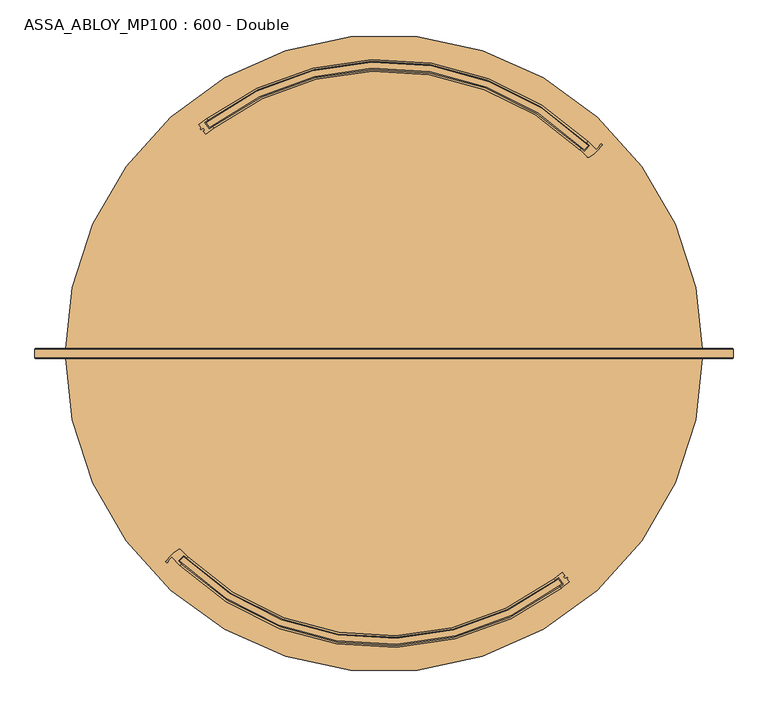
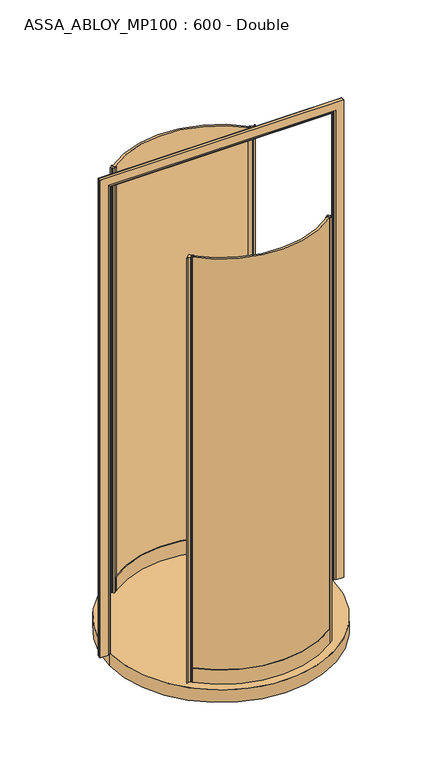
"""IFC4 building model written with IfcOpenShell, lengths in millimetres: door geometry, ASSA_ABLOY_MP100 : 600 - Double."""

from ifc_helpers import new_model, si_unit, point, frame, frame_2d, origin, origin_with_axes, place, context, project, spatial, polyline, circle_curve, ellipse_curve, trimmed, segment, composite_curve, outline, extrude, source, transform, mapped, element, save
from ifc_brep_helpers import plane_surface, cylinder_surface, revolved_surface, advanced_brep


def assa_abloy_mp100_600_double_29c1e6ae(model_context):
    return source(origin(), model_context, "Body", "SolidModel", [
        extrude(outline(composite_curve([segment(trimmed(circle_curve(frame_2d((125.0, 0.0)), 488.5), [point((-217.4730748, -348.3452929))], [point((423.3837235, -386.7808211))], True, "CARTESIAN"), True, "CONTINUOUS"), segment(polyline([(423.3837235, -386.7808211), (429.413428, -394.7590592)]), True, "CONTINUOUS"), segment(trimmed(circle_curve(frame_2d((125.0, 0.0)), 498.5), [point((429.413428, -394.7590592))], [point((-224.4107835, -355.5479635))], False, "CARTESIAN"), True, "CONTINUOUS"), segment(polyline([(-224.4107835, -355.5479635), (-217.4730748, -348.3452929)]), True, "CONTINUOUS")], self_intersect=False)), origin_with_axes(), (0.0, 0.0, 1.0), 2200.0),
        extrude(outline(composite_curve([segment(polyline([(429.904292, -375.240753), (434.0151728, -380.6800885), (432.0207092, -382.1874421), (434.1310043, -384.9796912), (438.7166643, -383.1194323), (439.3848915, -384.0036009), (437.9333684, -385.8644715), (441.9702852, -391.2059411)]), True, "CONTINUOUS"), segment(trimmed(circle_curve(frame_2d((125.0, 0.0)), 503.5), [point((441.9702852, -391.2059411))], [point((428.5810209, -401.6849683))], False, "CARTESIAN"), True, "CONTINUOUS"), segment(polyline([(428.5810209, -401.6849683), (426.7721965, -399.291612)]), True, "CONTINUOUS"), segment(trimmed(circle_curve(frame_2d((125.0, 0.0)), 500.5), [point((426.7721965, -399.291612))], [point((432.3271785, -395.0319675))], True, "CARTESIAN"), True, "CONTINUOUS"), segment(polyline([(432.3271785, -395.0319675), (423.8851487, -383.8618474)]), True, "CONTINUOUS"), segment(trimmed(circle_curve(frame_2d((125.0, 0.0)), 486.5), [point((423.8851487, -383.8618474))], [point((418.3097732, -388.1386697))], False, "CARTESIAN"), True, "CONTINUOUS"), segment(polyline([(418.3097732, -388.1386697), (416.5221918, -385.7292595)]), True, "CONTINUOUS"), segment(trimmed(circle_curve(frame_2d((125.0, 0.0)), 483.5), [point((416.5221918, -385.7292595))], [point((429.904292, -375.240753))], True, "CARTESIAN"), True, "CONTINUOUS")], self_intersect=False)), origin_with_axes(), (0.0, 0.0, 1.0), 2200.0),
        advanced_brep(
        [(-217.5060979, -345.5018646, 0.0), (-227.2074309, -355.5978376, 0.0), (-222.1960228, -360.4854227, 0.0), (-224.2746437, -362.6485998, 0.0), (-238.1208867, -348.782437, 0.0), (-245.2858249, -357.4743849, 0.0), (-247.8573749, -356.1584272, 0.0), (-225.9902422, -335.872331, 0.0), (-222.3082378, -336.3709579, 0.0), (-210.4171707, -348.2274195, 0.0), (-212.4957917, -350.3905965, 0.0), (-217.5060979, -345.5018646, 2200.0), (-212.4957917, -350.3905965, 2200.0), (-210.4171707, -348.2274195, 2200.0), (-222.3082378, -336.3709579, 2200.0), (-225.9902422, -335.872331, 2200.0), (-247.8573749, -356.1584272, 2200.0), (-245.2996309, -357.4671714, 2200.0), (-238.1208867, -348.782437, 2200.0), (-224.2746437, -362.6485998, 2200.0), (-222.1960228, -360.4854227, 2200.0), (-227.2074309, -355.5978376, 2200.0)],
        [
            (0, 1),
            (1, 2, circle_curve(frame((104.4939033, -20.5060967, 0.0), z_axis=(0.0, 0.0, 1.0), x_axis=(-0.7071067811865531, 0.7071067811865418, 0.0)), 471.5)),
            (2, 3),
            (3, 4, circle_curve(frame((104.4939033, -20.5060967, 0.0), z_axis=(0.0, 0.0, -1.0), x_axis=(-0.7071067811865531, 0.7071067811865418, 0.0)), 474.5)),
            (4, 5, circle_curve(frame((-221.1026691, -370.1099496, 0.0), z_axis=(0.0, 0.0, 1.0), x_axis=(-0.7071067811865531, 0.7071067811865418, 0.0)), 27.285207)),
            (5, 6, circle_curve(frame((-246.5729186, -356.8018856, 0.0), z_axis=(0.0, 0.0, -1.0), x_axis=(-0.7071067811865531, 0.7071067811865418, 0.0)), 1.4366164)),
            (6, 7, circle_curve(frame((-190.40937, -396.1550112, 0.0), z_axis=(0.0, 0.0, -1.0), x_axis=(-0.7071067811865531, 0.7071067811865418, 0.0)), 70.0)),
            (7, 8, circle_curve(frame((-224.4653476, -338.4558744, 0.0), z_axis=(0.0, 0.0, -1.0), x_axis=(-0.7071067811865531, 0.7071067811865418, 0.0)), 3.0)),
            (8, 9, circle_curve(frame((104.4939033, -20.5060967, 0.0), z_axis=(0.0, 0.0, 1.0), x_axis=(-0.7071067811865531, 0.7071067811865418, 0.0)), 454.5)),
            (9, 10),
            (10, 0, circle_curve(frame((104.4939033, -20.5060967, 0.0), z_axis=(0.0, 0.0, -1.0), x_axis=(-0.7071067811865531, 0.7071067811865418, 0.0)), 457.5)),
            (11, 12, circle_curve(frame((104.4939033, -20.5060967, 2200.0), z_axis=(0.0, 0.0, 1.0), x_axis=(-0.7071067811865531, 0.7071067811865418, 0.0)), 457.5)),
            (12, 13),
            (13, 14, circle_curve(frame((104.4939033, -20.5060967, 2200.0), z_axis=(0.0, 0.0, -1.0), x_axis=(-0.7071067811865531, 0.7071067811865418, 0.0)), 454.5)),
            (14, 15, circle_curve(frame((-224.4653476, -338.4558744, 2200.0), z_axis=(0.0, 0.0, 1.0), x_axis=(-0.7071067811865531, 0.7071067811865418, 0.0)), 3.0)),
            (15, 16, circle_curve(frame((-190.40937, -396.1550112, 2200.0), z_axis=(0.0, 0.0, 1.0), x_axis=(-0.7071067811865531, 0.7071067811865418, 0.0)), 70.0)),
            (16, 17, circle_curve(frame((-246.5729186, -356.8018856, 2200.0), z_axis=(0.0, 0.0, 1.0), x_axis=(-0.7071067811865531, 0.7071067811865418, 0.0)), 1.4366164)),
            (17, 18, circle_curve(frame((-221.1026691, -370.1099496, 2200.0), z_axis=(0.0, 0.0, -1.0), x_axis=(-0.7071067811865531, 0.7071067811865418, 0.0)), 27.285207)),
            (18, 19, circle_curve(frame((104.4939033, -20.5060967, 2200.0), z_axis=(0.0, 0.0, 1.0), x_axis=(-0.7071067811865531, 0.7071067811865418, 0.0)), 474.5)),
            (19, 20),
            (20, 21, circle_curve(frame((104.4939033, -20.5060967, 2200.0), z_axis=(0.0, 0.0, -1.0), x_axis=(-0.7071067811865531, 0.7071067811865418, 0.0)), 471.5)),
            (21, 11),
            (0, 11),
            (21, 1),
            (20, 2),
            (19, 3),
            (18, 4),
            (8, 14),
            (13, 9),
            (12, 10),
            (17, 5),
            (16, 6),
            (15, 7),
        ],
        [
            plane_surface(frame((-216.8861287, -341.8861287, 0.0), z_axis=(0.0, 0.0, -1.0000000000000002), x_axis=(-0.7071067811865419, -0.7071067811865532, 0.0))),
            plane_surface(frame((-216.8861287, -341.8861287, 2200.0), z_axis=(0.0, 0.0, 1.0000000000000002), x_axis=(-0.7071067811865419, -0.7071067811865532, 0.0))),
            plane_surface(frame((-217.5060979, -345.5018646, 0.0), z_axis=(0.7210590160944299, -0.692873650320845, 0.0), x_axis=(0.0, 0.0, 1.0))),
            revolved_surface(polyline([(-228.9069440294598, 312.89475062945445, 2200.0), (-228.9069440294598, 312.89475062945445, 0.0)]), (104.4939033, -20.5060967, 0.0), (0.0, 0.0, 1.0)),
            plane_surface(frame((-222.1960228, -360.4854227, 0.0), z_axis=(0.7210590160945624, -0.6928736503207072, 0.0), x_axis=(0.0, 0.0, 1.0))),
            cylinder_surface(frame((104.4939033, -20.5060967, 0.0), z_axis=(0.0, 0.0, -1.0), x_axis=(-0.7071067811865531, 0.7071067811865418, 0.0)), 474.5),
            revolved_surface(polyline([(-216.8861287492884, 300.8739353492833, 2200.0), (-216.8861287492884, 300.8739353492833, 0.0)]), (104.4939033, -20.5060967, 0.0), (0.0, 0.0, 1.0)),
            plane_surface(frame((-210.4171707, -348.2274195, 0.0), z_axis=(0.7210590160946411, -0.6928736503206254, 0.0), x_axis=(0.0, 0.0, 1.0))),
            cylinder_surface(frame((104.4939033, -20.5060967, 0.0), z_axis=(0.0, 0.0, -1.0), x_axis=(-0.7071067811865531, 0.7071067811865418, 0.0)), 457.5),
            revolved_surface(polyline([(-240.39622399577883, -350.81639470422147, 2200.0), (-240.39622399577883, -350.81639470422147, 0.0)]), (-221.1026691, -370.1099496, 0.0), (0.0, 0.0, 1.0)),
            cylinder_surface(frame((-246.5729186, -356.8018856, 0.0), z_axis=(0.0, 0.0, -1.0), x_axis=(-0.7071067811865531, 0.7071067811865418, 0.0)), 1.4366164),
            cylinder_surface(frame((-190.40937, -396.1550112, 0.0), z_axis=(0.0, 0.0, -1.0), x_axis=(-0.7071067811865531, 0.7071067811865418, 0.0)), 70.0),
            cylinder_surface(frame((-224.4653476, -338.4558744, 0.0), z_axis=(0.0, 0.0, -1.0), x_axis=(-0.7071067811865531, 0.7071067811865418, 0.0)), 3.0),
        ],
        [
            (0, [[1, 2, 3, 4, 5, 6, 7, 8, 9, 10, 11]]),
            (1, [[12, 13, 14, 15, 16, 17, 18, 19, 20, 21, 22]]),
            (2, [[-1, 23, -22, 24]]),
            (3, [[-2, -24, -21, 25]]),
            (4, [[-3, -25, -20, 26]]),
            (5, [[-4, -26, -19, 27]]),
            (6, [[-9, 28, -14, 29]]),
            (7, [[-10, -29, -13, 30]]),
            (8, [[-11, -30, -12, -23]]),
            (9, [[-5, -27, -18, 31]]),
            (10, [[-6, -31, -17, 32]]),
            (11, [[-7, -32, -16, 33]]),
            (12, [[-8, -33, -15, -28]]),
        ],
    ),
        advanced_brep(
        [(-210.4210001, -348.2312489, 73.0), (-210.4210001, -348.2312489, 0.0), (-212.5022059, -350.3919391, 0.0), (-212.5022059, -350.3919391, 24.0), (-222.2144996, -360.4751604, 24.0), (-222.2144996, -360.4751604, 0.0), (-224.2957054, -362.6358507, 0.0), (-224.2957054, -362.6358507, 73.0), (-222.2144996, -360.4751604, 73.0), (-222.2144996, -360.4751604, 39.0), (-212.5022059, -350.3919391, 39.0), (-212.5022059, -350.3919391, 73.0), (416.5221918, -385.7292595, 73.0), (418.3310162, -388.1226159, 73.0), (418.3310162, -388.1226159, 39.0), (426.7721965, -399.291612, 39.0), (426.7721965, -399.291612, 73.0), (428.5810209, -401.6849683, 73.0), (428.5810209, -401.6849683, 0.0), (426.7721965, -399.291612, 0.0), (426.7721965, -399.291612, 24.0), (418.3310162, -388.1226159, 24.0), (418.3310162, -388.1226159, 0.0), (416.5221918, -385.7292595, 0.0)],
        [
            (0, 1),
            (1, 2),
            (2, 3),
            (3, 4),
            (4, 5),
            (5, 6),
            (6, 7),
            (7, 8),
            (8, 9),
            (9, 10),
            (10, 11),
            (11, 0),
            (12, 13),
            (13, 14),
            (14, 15),
            (15, 16),
            (16, 17),
            (17, 18),
            (18, 19),
            (19, 20),
            (20, 21),
            (21, 22),
            (22, 23),
            (23, 12),
            (23, 1, circle_curve(frame((125.0, 0.0, 0.0), z_axis=(0.0, 0.0, -1.0), x_axis=(-0.6937352639397907, -0.720230090711565, 0.0)), 483.5)),
            (0, 12, circle_curve(frame((125.0, 0.0, 73.0), z_axis=(0.0, 0.0, 1.0), x_axis=(-0.6937352639397907, -0.720230090711565, 0.0)), 483.5)),
            (22, 2, circle_curve(frame((125.0, 0.0, 0.0), z_axis=(0.0, 0.0, -1.0), x_axis=(-0.6937352639397907, -0.720230090711565, 0.0)), 486.5)),
            (21, 3, circle_curve(frame((125.0, 0.0, 24.0), z_axis=(0.0, 0.0, -1.0), x_axis=(-0.6937352639397907, -0.720230090711565, 0.0)), 486.5)),
            (20, 4, circle_curve(frame((125.0, 0.0, 24.0), z_axis=(0.0, 0.0, -1.0), x_axis=(-0.6937352639397907, -0.720230090711565, 0.0)), 500.5)),
            (19, 5, circle_curve(frame((125.0, 0.0, 0.0), z_axis=(0.0, 0.0, -1.0), x_axis=(-0.6937352639397907, -0.720230090711565, 0.0)), 500.5)),
            (18, 6, circle_curve(frame((125.0, 0.0, 0.0), z_axis=(0.0, 0.0, -1.0), x_axis=(-0.6937352639397907, -0.720230090711565, 0.0)), 503.5)),
            (17, 7, circle_curve(frame((125.0, 0.0, 73.0), z_axis=(0.0, 0.0, -1.0), x_axis=(-0.6937352639397907, -0.720230090711565, 0.0)), 503.5)),
            (16, 8, circle_curve(frame((125.0, 0.0, 73.0), z_axis=(0.0, 0.0, -1.0), x_axis=(-0.6937352639397907, -0.720230090711565, 0.0)), 500.5)),
            (15, 9, circle_curve(frame((125.0, 0.0, 39.0), z_axis=(0.0, 0.0, -1.0), x_axis=(-0.6937352639397907, -0.720230090711565, 0.0)), 500.5)),
            (14, 10, circle_curve(frame((125.0, 0.0, 39.0), z_axis=(0.0, 0.0, -1.0), x_axis=(-0.6937352639397907, -0.720230090711565, 0.0)), 486.5)),
            (13, 11, circle_curve(frame((125.0, 0.0, 73.0), z_axis=(0.0, 0.0, -1.0), x_axis=(-0.6937352639397907, -0.720230090711565, 0.0)), 486.5)),
        ],
        [
            plane_surface(frame((-210.4210001, -348.2312489, 0.0), z_axis=(-0.7202300907115649, 0.6937352639397907, 0.0), x_axis=(0.0, 0.0, 1.0))),
            plane_surface(frame((416.5221918, -385.7292595, 0.0), z_axis=(0.7977854385645219, 0.6029414515642572, 0.0), x_axis=(0.0, 0.0, 1.0))),
            revolved_surface(polyline([(-210.42100011488878, -348.23124885904167, 73.00000000000003), (-210.42100011488878, -348.23124885904167, 0.0)]), (125.0, 0.0, 0.0), (0.0, 0.0, 1.0000000000000002)),
            plane_surface(frame((125.0, 0.0, 0.0), z_axis=(0.0, 0.0, -1.0000000000000002), x_axis=(-0.6937352639397907, -0.720230090711565, 0.0))),
            cylinder_surface(frame((125.0, 0.0, 0.0), z_axis=(0.0, 0.0, 1.0000000000000002), x_axis=(-0.6937352639397907, -0.720230090711565, 0.0)), 486.5),
            plane_surface(frame((125.0, 0.0, 24.0), z_axis=(0.0, 0.0, -1.0000000000000002), x_axis=(-0.6937352639397907, -0.720230090711565, 0.0))),
            revolved_surface(polyline([(-222.2144996018652, -360.4751604011383, 24.000000000000014), (-222.2144996018652, -360.4751604011383, 0.0)]), (125.0, 0.0, 0.0), (0.0, 0.0, 1.0000000000000002)),
            cylinder_surface(frame((125.0, 0.0, 0.0), z_axis=(0.0, 0.0, 1.0000000000000002), x_axis=(-0.6937352639397907, -0.720230090711565, 0.0)), 503.5),
            plane_surface(frame((125.0, 0.0, 73.0), z_axis=(0.0, 0.0, 1.0000000000000002), x_axis=(-0.6937352639397907, -0.720230090711565, 0.0))),
            revolved_surface(polyline([(-222.2144996018652, -360.4751604011383, 73.00000000000003), (-222.2144996018652, -360.4751604011383, 39.000000000000014)]), (125.0, 0.0, 0.0), (0.0, 0.0, 1.0000000000000002)),
            plane_surface(frame((125.0, 0.0, 39.0), z_axis=(0.0, 0.0, 1.0000000000000002), x_axis=(-0.6937352639397907, -0.720230090711565, 0.0))),
        ],
        [
            (0, [[1, 2, 3, 4, 5, 6, 7, 8, 9, 10, 11, 12]]),
            (1, [[13, 14, 15, 16, 17, 18, 19, 20, 21, 22, 23, 24]]),
            (2, [[25, -1, 26, -24]]),
            (3, [[27, -2, -25, -23]]),
            (4, [[28, -3, -27, -22]]),
            (5, [[29, -4, -28, -21]]),
            (6, [[30, -5, -29, -20]]),
            (3, [[31, -6, -30, -19]]),
            (7, [[32, -7, -31, -18]]),
            (8, [[33, -8, -32, -17]]),
            (9, [[34, -9, -33, -16]]),
            (10, [[35, -10, -34, -15]]),
            (4, [[36, -11, -35, -14]]),
            (8, [[-26, -12, -36, -13]]),
        ],
    ),
        extrude(outline(composite_curve([segment(trimmed(circle_curve(frame_2d((125.0, 0.0)), 488.5), [point((467.4730748, 348.3452929))], [point((-173.3837235, 386.7808211))], True, "CARTESIAN"), True, "CONTINUOUS"), segment(polyline([(-173.3837235, 386.7808211), (-179.413428, 394.7590592)]), True, "CONTINUOUS"), segment(trimmed(circle_curve(frame_2d((125.0, 0.0)), 498.5), [point((-179.413428, 394.7590592))], [point((474.4107835, 355.5479635))], False, "CARTESIAN"), True, "CONTINUOUS"), segment(polyline([(474.4107835, 355.5479635), (467.4730748, 348.3452929)]), True, "CONTINUOUS")], self_intersect=False)), origin_with_axes(), (0.0, 0.0, 1.0), 2200.0),
        extrude(outline(composite_curve([segment(polyline([(-179.904292, 375.240753), (-184.0151728, 380.6800885), (-182.0207092, 382.1874421), (-184.1310043, 384.9796912), (-188.7166643, 383.1194323), (-189.3848915, 384.0036009), (-187.9333684, 385.8644715), (-191.9702852, 391.2059411)]), True, "CONTINUOUS"), segment(trimmed(circle_curve(frame_2d((125.0, 0.0)), 503.5), [point((-191.9702852, 391.2059411))], [point((-178.5810209, 401.6849683))], False, "CARTESIAN"), True, "CONTINUOUS"), segment(polyline([(-178.5810209, 401.6849683), (-176.7721965, 399.291612)]), True, "CONTINUOUS"), segment(trimmed(circle_curve(frame_2d((125.0, 0.0)), 500.5), [point((-176.7721965, 399.291612))], [point((-182.3271785, 395.0319675))], True, "CARTESIAN"), True, "CONTINUOUS"), segment(polyline([(-182.3271785, 395.0319675), (-173.8851487, 383.8618474)]), True, "CONTINUOUS"), segment(trimmed(circle_curve(frame_2d((125.0, 0.0)), 486.5), [point((-173.8851487, 383.8618474))], [point((-168.3097732, 388.1386697))], False, "CARTESIAN"), True, "CONTINUOUS"), segment(polyline([(-168.3097732, 388.1386697), (-166.5221918, 385.7292595)]), True, "CONTINUOUS"), segment(trimmed(circle_curve(frame_2d((125.0, 0.0)), 483.5), [point((-166.5221918, 385.7292595))], [point((-179.904292, 375.240753))], True, "CARTESIAN"), True, "CONTINUOUS")], self_intersect=False)), origin_with_axes(), (0.0, 0.0, 1.0), 2200.0),
        advanced_brep(
        [(467.5060979, 345.5018646, 0.0), (477.2074309, 355.5978376, 0.0), (472.1960228, 360.4854227, 0.0), (474.2746437, 362.6485998, 0.0), (488.1208867, 348.782437, 0.0), (495.2858249, 357.4743849, 0.0), (497.8573749, 356.1584272, 0.0), (475.9902422, 335.872331, 0.0), (472.3082378, 336.3709579, 0.0), (460.4171707, 348.2274195, 0.0), (462.4957917, 350.3905965, 0.0), (467.5060979, 345.5018646, 2200.0), (462.4957917, 350.3905965, 2200.0), (460.4171707, 348.2274195, 2200.0), (472.3082378, 336.3709579, 2200.0), (475.9902422, 335.872331, 2200.0), (497.8573749, 356.1584272, 2200.0), (495.2996309, 357.4671714, 2200.0), (488.1208867, 348.782437, 2200.0), (474.2746437, 362.6485998, 2200.0), (472.1960228, 360.4854227, 2200.0), (477.2074309, 355.5978376, 2200.0)],
        [
            (0, 1),
            (1, 2, circle_curve(frame((145.5060967, 20.5060967, 0.0), z_axis=(0.0, 0.0, 1.0), x_axis=(0.7071067811865526, -0.7071067811865416, 0.0)), 471.5)),
            (2, 3),
            (3, 4, circle_curve(frame((145.5060967, 20.5060967, 0.0), z_axis=(0.0, 0.0, -1.0), x_axis=(0.7071067811865526, -0.7071067811865416, 0.0)), 474.5)),
            (4, 5, circle_curve(frame((471.1026691, 370.1099496, 0.0), z_axis=(0.0, 0.0, 1.0), x_axis=(0.7071067811865526, -0.7071067811865416, 0.0)), 27.285207)),
            (5, 6, circle_curve(frame((496.5729186, 356.8018856, 0.0), z_axis=(0.0, 0.0, -1.0), x_axis=(0.7071067811865526, -0.7071067811865416, 0.0)), 1.4366164)),
            (6, 7, circle_curve(frame((440.40937, 396.1550112, 0.0), z_axis=(0.0, 0.0, -1.0), x_axis=(0.7071067811865526, -0.7071067811865416, 0.0)), 70.0)),
            (7, 8, circle_curve(frame((474.4653476, 338.4558744, 0.0), z_axis=(0.0, 0.0, -1.0), x_axis=(0.7071067811865526, -0.7071067811865416, 0.0)), 3.0)),
            (8, 9, circle_curve(frame((145.5060967, 20.5060967, 0.0), z_axis=(0.0, 0.0, 1.0), x_axis=(0.7071067811865526, -0.7071067811865416, 0.0)), 454.5)),
            (9, 10),
            (10, 0, circle_curve(frame((145.5060967, 20.5060967, 0.0), z_axis=(0.0, 0.0, -1.0), x_axis=(0.7071067811865526, -0.7071067811865416, 0.0)), 457.5)),
            (11, 12, circle_curve(frame((145.5060967, 20.5060967, 2200.0), z_axis=(0.0, 0.0, 1.0), x_axis=(0.7071067811865526, -0.7071067811865416, 0.0)), 457.5)),
            (12, 13),
            (13, 14, circle_curve(frame((145.5060967, 20.5060967, 2200.0), z_axis=(0.0, 0.0, -1.0), x_axis=(0.7071067811865526, -0.7071067811865416, 0.0)), 454.5)),
            (14, 15, circle_curve(frame((474.4653476, 338.4558744, 2200.0), z_axis=(0.0, 0.0, 1.0), x_axis=(0.7071067811865526, -0.7071067811865416, 0.0)), 3.0)),
            (15, 16, circle_curve(frame((440.40937, 396.1550112, 2200.0), z_axis=(0.0, 0.0, 1.0), x_axis=(0.7071067811865526, -0.7071067811865416, 0.0)), 70.0)),
            (16, 17, circle_curve(frame((496.5729186, 356.8018856, 2200.0), z_axis=(0.0, 0.0, 1.0), x_axis=(0.7071067811865526, -0.7071067811865416, 0.0)), 1.4366164)),
            (17, 18, circle_curve(frame((471.1026691, 370.1099496, 2200.0), z_axis=(0.0, 0.0, -1.0), x_axis=(0.7071067811865526, -0.7071067811865416, 0.0)), 27.285207)),
            (18, 19, circle_curve(frame((145.5060967, 20.5060967, 2200.0), z_axis=(0.0, 0.0, 1.0), x_axis=(0.7071067811865526, -0.7071067811865416, 0.0)), 474.5)),
            (19, 20),
            (20, 21, circle_curve(frame((145.5060967, 20.5060967, 2200.0), z_axis=(0.0, 0.0, -1.0), x_axis=(0.7071067811865526, -0.7071067811865416, 0.0)), 471.5)),
            (21, 11),
            (0, 11),
            (21, 1),
            (20, 2),
            (19, 3),
            (18, 4),
            (8, 14),
            (13, 9),
            (12, 10),
            (17, 5),
            (16, 6),
            (15, 7),
        ],
        [
            plane_surface(frame((466.8861287, 341.8861287, 0.0), z_axis=(0.0, 0.0, -1.0), x_axis=(0.707106781186542, 0.707106781186553, 0.0))),
            plane_surface(frame((466.8861287, 341.8861287, 2200.0), z_axis=(0.0, 0.0, 1.0), x_axis=(0.707106781186542, 0.707106781186553, 0.0))),
            plane_surface(frame((467.5060979, 345.5018646, 0.0), z_axis=(-0.7210590160944298, 0.6928736503208452, 0.0), x_axis=(0.0, 0.0, 1.0))),
            revolved_surface(polyline([(478.9069440294595, -312.89475062945434, 2200.0), (478.9069440294595, -312.89475062945434, 0.0)]), (145.5060967, 20.5060967, 0.0), (0.0, 0.0, 1.0)),
            plane_surface(frame((472.1960228, 360.4854227, 0.0), z_axis=(-0.7210590160945622, 0.6928736503207075, 0.0), x_axis=(0.0, 0.0, 1.0))),
            cylinder_surface(frame((145.5060967, 20.5060967, 0.0), z_axis=(0.0, 0.0, -1.0), x_axis=(0.7071067811865526, -0.7071067811865416, 0.0)), 474.5),
            revolved_surface(polyline([(466.88612874928816, -300.87393534928316, 2200.0), (466.88612874928816, -300.87393534928316, 0.0)]), (145.5060967, 20.5060967, 0.0), (0.0, 0.0, 1.0)),
            plane_surface(frame((460.4171707, 348.2274195, 0.0), z_axis=(-0.7210590160946408, 0.6928736503206255, 0.0), x_axis=(0.0, 0.0, 1.0))),
            cylinder_surface(frame((145.5060967, 20.5060967, 0.0), z_axis=(0.0, 0.0, -1.0), x_axis=(0.7071067811865526, -0.7071067811865416, 0.0)), 457.5),
            revolved_surface(polyline([(490.3962239957788, 350.8163947042215, 2200.0), (490.3962239957788, 350.8163947042215, 0.0)]), (471.1026691, 370.1099496, 0.0), (0.0, 0.0, 1.0)),
            cylinder_surface(frame((496.5729186, 356.8018856, 0.0), z_axis=(0.0, 0.0, -1.0), x_axis=(0.7071067811865526, -0.7071067811865416, 0.0)), 1.4366164),
            cylinder_surface(frame((440.40937, 396.1550112, 0.0), z_axis=(0.0, 0.0, -1.0), x_axis=(0.7071067811865526, -0.7071067811865416, 0.0)), 70.0),
            cylinder_surface(frame((474.4653476, 338.4558744, 0.0), z_axis=(0.0, 0.0, -1.0), x_axis=(0.7071067811865526, -0.7071067811865416, 0.0)), 3.0),
        ],
        [
            (0, [[1, 2, 3, 4, 5, 6, 7, 8, 9, 10, 11]]),
            (1, [[12, 13, 14, 15, 16, 17, 18, 19, 20, 21, 22]]),
            (2, [[-1, 23, -22, 24]]),
            (3, [[-2, -24, -21, 25]]),
            (4, [[-3, -25, -20, 26]]),
            (5, [[-4, -26, -19, 27]]),
            (6, [[-9, 28, -14, 29]]),
            (7, [[-10, -29, -13, 30]]),
            (8, [[-11, -30, -12, -23]]),
            (9, [[-5, -27, -18, 31]]),
            (10, [[-6, -31, -17, 32]]),
            (11, [[-7, -32, -16, 33]]),
            (12, [[-8, -33, -15, -28]]),
        ],
    ),
        advanced_brep(
        [(460.4210001, 348.2312489, 73.0), (460.4210001, 348.2312489, 0.0), (462.5022059, 350.3919391, 0.0), (462.5022059, 350.3919391, 24.0), (472.2144996, 360.4751604, 24.0), (472.2144996, 360.4751604, 0.0), (474.2957054, 362.6358507, 0.0), (474.2957054, 362.6358507, 73.0), (472.2144996, 360.4751604, 73.0), (472.2144996, 360.4751604, 39.0), (462.5022059, 350.3919391, 39.0), (462.5022059, 350.3919391, 73.0), (-166.5221918, 385.7292595, 73.0), (-168.3310162, 388.1226159, 73.0), (-168.3310162, 388.1226159, 39.0), (-176.7721965, 399.291612, 39.0), (-176.7721965, 399.291612, 73.0), (-178.5810209, 401.6849683, 73.0), (-178.5810209, 401.6849683, 0.0), (-176.7721965, 399.291612, 0.0), (-176.7721965, 399.291612, 24.0), (-168.3310162, 388.1226159, 24.0), (-168.3310162, 388.1226159, 0.0), (-166.5221918, 385.7292595, 0.0)],
        [
            (0, 1),
            (1, 2),
            (2, 3),
            (3, 4),
            (4, 5),
            (5, 6),
            (6, 7),
            (7, 8),
            (8, 9),
            (9, 10),
            (10, 11),
            (11, 0),
            (12, 13),
            (13, 14),
            (14, 15),
            (15, 16),
            (16, 17),
            (17, 18),
            (18, 19),
            (19, 20),
            (20, 21),
            (21, 22),
            (22, 23),
            (23, 12),
            (23, 1, circle_curve(frame((125.0, 0.0, 0.0), z_axis=(0.0, 0.0, -1.0), x_axis=(0.6937352639397905, 0.7202300907115643, 0.0)), 483.5)),
            (0, 12, circle_curve(frame((125.0, 0.0, 73.0), z_axis=(0.0, 0.0, 1.0), x_axis=(0.6937352639397905, 0.7202300907115643, 0.0)), 483.5)),
            (22, 2, circle_curve(frame((125.0, 0.0, 0.0), z_axis=(0.0, 0.0, -1.0), x_axis=(0.6937352639397905, 0.7202300907115643, 0.0)), 486.5)),
            (21, 3, circle_curve(frame((125.0, 0.0, 24.0), z_axis=(0.0, 0.0, -1.0), x_axis=(0.6937352639397905, 0.7202300907115643, 0.0)), 486.5)),
            (20, 4, circle_curve(frame((125.0, 0.0, 24.0), z_axis=(0.0, 0.0, -1.0), x_axis=(0.6937352639397905, 0.7202300907115643, 0.0)), 500.5)),
            (19, 5, circle_curve(frame((125.0, 0.0, 0.0), z_axis=(0.0, 0.0, -1.0), x_axis=(0.6937352639397905, 0.7202300907115643, 0.0)), 500.5)),
            (18, 6, circle_curve(frame((125.0, 0.0, 0.0), z_axis=(0.0, 0.0, -1.0), x_axis=(0.6937352639397905, 0.7202300907115643, 0.0)), 503.5)),
            (17, 7, circle_curve(frame((125.0, 0.0, 73.0), z_axis=(0.0, 0.0, -1.0), x_axis=(0.6937352639397905, 0.7202300907115643, 0.0)), 503.5)),
            (16, 8, circle_curve(frame((125.0, 0.0, 73.0), z_axis=(0.0, 0.0, -1.0), x_axis=(0.6937352639397905, 0.7202300907115643, 0.0)), 500.5)),
            (15, 9, circle_curve(frame((125.0, 0.0, 39.0), z_axis=(0.0, 0.0, -1.0), x_axis=(0.6937352639397905, 0.7202300907115643, 0.0)), 500.5)),
            (14, 10, circle_curve(frame((125.0, 0.0, 39.0), z_axis=(0.0, 0.0, -1.0), x_axis=(0.6937352639397905, 0.7202300907115643, 0.0)), 486.5)),
            (13, 11, circle_curve(frame((125.0, 0.0, 73.0), z_axis=(0.0, 0.0, -1.0), x_axis=(0.6937352639397905, 0.7202300907115643, 0.0)), 486.5)),
        ],
        [
            plane_surface(frame((460.4210001, 348.2312489, 0.0), z_axis=(0.7202300907115647, -0.6937352639397908, 0.0), x_axis=(0.0, 0.0, 1.0))),
            plane_surface(frame((-166.5221918, 385.7292595, 0.0), z_axis=(-0.7977854385645221, -0.602941451564257, 0.0), x_axis=(0.0, 0.0, 1.0))),
            revolved_surface(polyline([(460.42100011488867, 348.23124885904133, 73.00000000000003), (460.42100011488867, 348.23124885904133, 0.0)]), (125.0, 0.0, 0.0), (0.0, 0.0, 1.0000000000000002)),
            plane_surface(frame((125.0, 0.0, 0.0), z_axis=(0.0, 0.0, -1.0), x_axis=(0.6937352639397908, 0.7202300907115647, 0.0))),
            cylinder_surface(frame((125.0, 0.0, 0.0), z_axis=(0.0, 0.0, 1.0000000000000002), x_axis=(0.6937352639397905, 0.7202300907115643, 0.0)), 486.5),
            plane_surface(frame((125.0, 0.0, 24.0), z_axis=(0.0, 0.0, -1.0), x_axis=(0.6937352639397908, 0.7202300907115647, 0.0))),
            revolved_surface(polyline([(472.2144996018651, 360.47516040113794, 24.000000000000014), (472.2144996018651, 360.47516040113794, 0.0)]), (125.0, 0.0, 0.0), (0.0, 0.0, 1.0000000000000002)),
            cylinder_surface(frame((125.0, 0.0, 0.0), z_axis=(0.0, 0.0, 1.0000000000000002), x_axis=(0.6937352639397905, 0.7202300907115643, 0.0)), 503.5),
            plane_surface(frame((125.0, 0.0, 73.0), z_axis=(0.0, 0.0, 1.0), x_axis=(0.6937352639397908, 0.7202300907115647, 0.0))),
            revolved_surface(polyline([(472.2144996018651, 360.47516040113794, 73.00000000000003), (472.2144996018651, 360.47516040113794, 39.000000000000014)]), (125.0, 0.0, 0.0), (0.0, 0.0, 1.0000000000000002)),
            plane_surface(frame((125.0, 0.0, 39.0), z_axis=(0.0, 0.0, 1.0), x_axis=(0.6937352639397908, 0.7202300907115647, 0.0))),
        ],
        [
            (0, [[1, 2, 3, 4, 5, 6, 7, 8, 9, 10, 11, 12]]),
            (1, [[13, 14, 15, 16, 17, 18, 19, 20, 21, 22, 23, 24]]),
            (2, [[25, -1, 26, -24]]),
            (3, [[27, -2, -25, -23]]),
            (4, [[28, -3, -27, -22]]),
            (5, [[29, -4, -28, -21]]),
            (6, [[30, -5, -29, -20]]),
            (3, [[31, -6, -30, -19]]),
            (7, [[32, -7, -31, -18]]),
            (8, [[33, -8, -32, -17]]),
            (9, [[34, -9, -33, -16]]),
            (10, [[35, -10, -34, -15]]),
            (4, [[36, -11, -35, -14]]),
            (8, [[-26, -12, -36, -13]]),
        ],
    ),
        extrude(outline(composite_curve([segment(trimmed(circle_curve(frame_2d((125.0, 0.0)), 545.0), [point((-420.0, 0.0))], [point((670.0, 0.0))], False, "CARTESIAN"), True, "CONTINUOUS"), segment(trimmed(circle_curve(frame_2d((125.0, 0.0)), 545.0), [point((670.0, 0.0))], [point((-420.0, 0.0))], False, "CARTESIAN"), True, "CONTINUOUS")], self_intersect=False)), frame((0.0, 0.0, -65.0), z_axis=(0.0, 0.0, 1.0), x_axis=(1.0, 0.0, 0.0)), (0.0, 0.0, 1.0), 65.0),
        advanced_brep(
        [(670.9, 6.0, 0.0), (673.1980762, 6.0, 0.0), (674.0980762, 5.1, 0.0), (674.0980762, -5.1, 0.0), (673.1980762, -6.0, 0.0), (670.9, -6.0, 0.0), (670.0, -5.1, 0.0), (670.0, 5.1, 0.0), (-420.9, 6.0, 0.0), (-420.0, 5.1, 0.0), (-420.0, -5.1, 0.0), (-420.9, -6.0, 0.0), (-423.1980762, -6.0, 0.0), (-424.0980762, -5.1, 0.0), (-424.0980762, 5.1, 0.0), (-423.1980762, 6.0, 0.0), (670.9, 6.0, 2421.8), (-420.9, 6.0, 2421.8), (-423.1980762, 6.0, 2424.0980762), (673.1980762, 6.0, 2424.0980762), (674.0980762, 5.1, 2424.9980762), (674.0980762, -5.1, 2424.9980762), (673.1980762, -6.0, 2424.0980762), (-423.1980762, -6.0, 2424.0980762), (-420.9, -6.0, 2421.8), (670.9, -6.0, 2421.8), (670.0, -5.1, 2420.9), (670.0, 5.1, 2420.9), (-424.0980762, 5.1, 2424.9980762), (-424.0980762, -5.1, 2424.9980762), (-420.0, -5.1, 2420.9), (-420.0, 5.1, 2420.9)],
        [
            (0, 1),
            (1, 2, circle_curve(frame((673.1980762, 5.1, 0.0), z_axis=(0.0, 0.0, -1.0), x_axis=(-1.0, 0.0, 0.0)), 0.9)),
            (2, 3),
            (3, 4, circle_curve(frame((673.1980762, -5.1, 0.0), z_axis=(0.0, 0.0, -1.0), x_axis=(-1.0, 0.0, 0.0)), 0.9)),
            (4, 5),
            (5, 6, circle_curve(frame((670.9, -5.1, 0.0), z_axis=(0.0, 0.0, -1.0), x_axis=(-1.0, 0.0, 0.0)), 0.9)),
            (6, 7),
            (7, 0, circle_curve(frame((670.9, 5.1, 0.0), z_axis=(0.0, 0.0, -1.0), x_axis=(-1.0, 0.0, 0.0)), 0.9)),
            (8, 9, circle_curve(frame((-420.9, 5.1, 0.0), z_axis=(0.0, 0.0, -1.0), x_axis=(1.0, 0.0, 0.0)), 0.9)),
            (9, 10),
            (10, 11, circle_curve(frame((-420.9, -5.1, 0.0), z_axis=(0.0, 0.0, -1.0), x_axis=(1.0, 0.0, 0.0)), 0.9)),
            (11, 12),
            (12, 13, circle_curve(frame((-423.1980762, -5.1, 0.0), z_axis=(0.0, 0.0, -1.0), x_axis=(1.0, 0.0, 0.0)), 0.9)),
            (13, 14),
            (14, 15, circle_curve(frame((-423.1980762, 5.1, 0.0), z_axis=(0.0, 0.0, -1.0), x_axis=(1.0, 0.0, 0.0)), 0.9)),
            (15, 8),
            (0, 16),
            (16, 17),
            (17, 8),
            (15, 18),
            (18, 19),
            (19, 1),
            (19, 20, ellipse_curve(frame((673.1980762, 5.1, 2424.0980762), z_axis=(0.7071067811865475, 0.0, -0.7071067811865475), x_axis=(-0.7071067811865474, 0.0, -0.7071067811865476)), 1.2727922, 0.9)),
            (20, 2),
            (20, 21),
            (21, 3),
            (21, 22, ellipse_curve(frame((673.1980762, -5.1, 2424.0980762), z_axis=(0.7071067811865475, 0.0, -0.7071067811865475), x_axis=(-0.7071067811865474, 0.0, -0.7071067811865476)), 1.2727922, 0.9)),
            (22, 4),
            (22, 23),
            (23, 12),
            (11, 24),
            (24, 25),
            (25, 5),
            (25, 26, ellipse_curve(frame((670.9, -5.1, 2421.8), z_axis=(0.7071067811865475, 0.0, -0.7071067811865475), x_axis=(-0.7071067811865474, 0.0, -0.7071067811865476)), 1.2727922, 0.9)),
            (26, 6),
            (26, 27),
            (27, 7),
            (27, 16, ellipse_curve(frame((670.9, 5.1, 2421.8), z_axis=(0.7071067811865475, 0.0, -0.7071067811865475), x_axis=(-0.7071067811865474, 0.0, -0.7071067811865476)), 1.2727922, 0.9)),
            (18, 28, ellipse_curve(frame((-423.1980762, 5.1, 2424.0980762), z_axis=(0.7071067811865475, 0.0, 0.7071067811865475), x_axis=(0.7071067811865476, 0.0, -0.7071067811865474)), 1.2727922, 0.9)),
            (28, 20),
            (28, 29),
            (29, 21),
            (29, 23, ellipse_curve(frame((-423.1980762, -5.1, 2424.0980762), z_axis=(0.7071067811865475, 0.0, 0.7071067811865475), x_axis=(0.7071067811865476, 0.0, -0.7071067811865474)), 1.2727922, 0.9)),
            (24, 30, ellipse_curve(frame((-420.9, -5.1, 2421.8), z_axis=(0.7071067811865475, 0.0, 0.7071067811865475), x_axis=(0.7071067811865476, 0.0, -0.7071067811865474)), 1.2727922, 0.9)),
            (30, 26),
            (30, 31),
            (31, 27),
            (31, 17, ellipse_curve(frame((-420.9, 5.1, 2421.8), z_axis=(0.7071067811865475, 0.0, 0.7071067811865475), x_axis=(0.7071067811865476, 0.0, -0.7071067811865474)), 1.2727922, 0.9)),
            (14, 28),
            (13, 29),
            (10, 30),
            (9, 31),
        ],
        [
            plane_surface(frame((674.1, 0.0, 0.0), z_axis=(0.0, 0.0, -1.0), x_axis=(0.0, -1.0, 0.0))),
            plane_surface(frame((-424.1, 0.0, 0.0), z_axis=(0.0, 0.0, -1.0), x_axis=(0.0, -1.0, 0.0))),
            plane_surface(frame((670.9, 6.0, 0.0), z_axis=(0.0, 1.0, 0.0), x_axis=(0.0, 0.0, 1.0))),
            cylinder_surface(frame((673.1980762, 5.1, 0.0), z_axis=(0.0, 0.0, -1.0), x_axis=(-1.0, 0.0, 0.0)), 0.9),
            plane_surface(frame((674.0980762, 5.1, 0.0), z_axis=(1.0, 0.0, 0.0), x_axis=(0.0, 0.0, 1.0))),
            cylinder_surface(frame((673.1980762, -5.1, 0.0), z_axis=(0.0, 0.0, -1.0), x_axis=(-1.0, 0.0, 0.0)), 0.9),
            plane_surface(frame((673.1980762, -6.0, 0.0), z_axis=(0.0, -1.0, 0.0), x_axis=(0.0, 0.0, 1.0))),
            cylinder_surface(frame((670.9, -5.1, 0.0), z_axis=(0.0, 0.0, -1.0), x_axis=(-1.0, 0.0, 0.0)), 0.9),
            plane_surface(frame((670.0, -5.1, 0.0), z_axis=(-1.0, 0.0, 0.0), x_axis=(0.0, 0.0, 1.0))),
            cylinder_surface(frame((670.9, 5.1, 0.0), z_axis=(0.0, 0.0, -1.0), x_axis=(-1.0, 0.0, 0.0)), 0.9),
            cylinder_surface(frame((674.1, 5.1, 2424.0980762), z_axis=(1.0, 0.0, 0.0), x_axis=(0.0, 0.0, -1.0)), 0.9),
            plane_surface(frame((674.0980762, 5.1, 2424.9980762), z_axis=(0.0, 0.0, 1.0), x_axis=(-1.0, 0.0, 0.0))),
            cylinder_surface(frame((674.1, -5.1, 2424.0980762), z_axis=(1.0, 0.0, 0.0), x_axis=(0.0, 0.0, -1.0)), 0.9),
            cylinder_surface(frame((674.1, -5.1, 2421.8), z_axis=(1.0, 0.0, 0.0), x_axis=(0.0, 0.0, -1.0)), 0.9),
            plane_surface(frame((670.0, -5.1, 2420.9), z_axis=(0.0, 0.0, -1.0), x_axis=(-1.0, 0.0, 0.0))),
            cylinder_surface(frame((674.1, 5.1, 2421.8), z_axis=(1.0, 0.0, 0.0), x_axis=(0.0, 0.0, -1.0)), 0.9),
            cylinder_surface(frame((-423.1980762, 5.1, 2425.0), z_axis=(0.0, 0.0, 1.0), x_axis=(1.0, 0.0, 0.0)), 0.9),
            plane_surface(frame((-424.0980762, 5.1, 2424.9980762), z_axis=(-1.0, 0.0, 0.0), x_axis=(0.0, 0.0, -1.0))),
            cylinder_surface(frame((-423.1980762, -5.1, 2425.0), z_axis=(0.0, 0.0, 1.0), x_axis=(1.0, 0.0, 0.0)), 0.9),
            cylinder_surface(frame((-420.9, -5.1, 2425.0), z_axis=(0.0, 0.0, 1.0), x_axis=(1.0, 0.0, 0.0)), 0.9),
            plane_surface(frame((-420.0, -5.1, 2420.9), z_axis=(1.0, 0.0, 0.0), x_axis=(0.0, 0.0, -1.0))),
            cylinder_surface(frame((-420.9, 5.1, 2425.0), z_axis=(0.0, 0.0, 1.0), x_axis=(1.0, 0.0, 0.0)), 0.9),
        ],
        [
            (0, [[1, 2, 3, 4, 5, 6, 7, 8]]),
            (1, [[9, 10, 11, 12, 13, 14, 15, 16]]),
            (2, [[-1, 17, 18, 19, -16, 20, 21, 22]]),
            (3, [[-2, -22, 23, 24]]),
            (4, [[-3, -24, 25, 26]]),
            (5, [[-4, -26, 27, 28]]),
            (6, [[-5, -28, 29, 30, -12, 31, 32, 33]]),
            (7, [[-6, -33, 34, 35]]),
            (8, [[-7, -35, 36, 37]]),
            (9, [[-8, -37, 38, -17]]),
            (10, [[-23, -21, 39, 40]]),
            (11, [[-25, -40, 41, 42]]),
            (12, [[-27, -42, 43, -29]]),
            (13, [[-34, -32, 44, 45]]),
            (14, [[-36, -45, 46, 47]]),
            (15, [[-38, -47, 48, -18]]),
            (16, [[-39, -20, -15, 49]]),
            (17, [[-41, -49, -14, 50]]),
            (18, [[-43, -50, -13, -30]]),
            (19, [[-44, -31, -11, 51]]),
            (20, [[-46, -51, -10, 52]]),
            (21, [[-48, -52, -9, -19]]),
        ],
    ),
        advanced_brep(
        [(721.4209519, 8.5, 0.0), (722.0980762, 7.0, 0.0), (722.0980762, -7.0, 0.0), (721.4209519, -8.5, 0.0), (682.0980762, -8.5, 0.0), (682.0980762, 8.5, 0.0), (-471.4209519, 8.5, 0.0), (-432.0980762, 8.5, 0.0), (-432.0980762, -8.5, 0.0), (-471.4209519, -8.5, 0.0), (-472.0980762, -7.0, 0.0), (-472.0980762, 7.0, 0.0), (721.4209519, 8.5, 2472.3209519), (722.0980762, 7.0, 2472.9980762), (722.0980762, -7.0, 2472.9980762), (721.4209519, -8.5, 2472.3209519), (-471.4209519, -8.5, 2472.3209519), (-432.0980762, -8.5, 2432.9980762), (682.0980762, -8.5, 2432.9980762), (682.0980762, 8.5, 2432.9980762), (-432.0980762, 8.5, 2432.9980762), (-471.4209519, 8.5, 2472.3209519), (-472.0980762, 7.0, 2472.9980762), (-472.0980762, -7.0, 2472.9980762)],
        [
            (0, 1, circle_curve(frame((720.0980762, 7.0, 0.0), z_axis=(0.0, 0.0, -1.0), x_axis=(-1.0, 0.0, 0.0)), 2.0)),
            (1, 2),
            (2, 3, circle_curve(frame((720.0980762, -7.0, 0.0), z_axis=(0.0, 0.0, -1.0), x_axis=(-1.0, 0.0, 0.0)), 2.0)),
            (3, 4),
            (4, 5),
            (5, 0),
            (6, 7),
            (7, 8),
            (8, 9),
            (9, 10, circle_curve(frame((-470.0980762, -7.0, 0.0), z_axis=(0.0, 0.0, -1.0), x_axis=(1.0, 0.0, 0.0)), 2.0)),
            (10, 11),
            (11, 6, circle_curve(frame((-470.0980762, 7.0, 0.0), z_axis=(0.0, 0.0, -1.0), x_axis=(1.0, 0.0, 0.0)), 2.0)),
            (0, 12),
            (12, 13, ellipse_curve(frame((720.0980762, 7.0, 2470.9980762), z_axis=(0.7071067811865475, 0.0, -0.7071067811865475), x_axis=(-0.7071067811865474, 0.0, -0.7071067811865476)), 2.8284271, 2.0)),
            (13, 1),
            (13, 14),
            (14, 2),
            (14, 15, ellipse_curve(frame((720.0980762, -7.0, 2470.9980762), z_axis=(0.7071067811865475, 0.0, -0.7071067811865475), x_axis=(-0.7071067811865474, 0.0, -0.7071067811865476)), 2.8284271, 2.0)),
            (15, 3),
            (15, 16),
            (16, 9),
            (8, 17),
            (17, 18),
            (18, 4),
            (18, 19),
            (19, 5),
            (19, 20),
            (20, 7),
            (6, 21),
            (21, 12),
            (21, 22, ellipse_curve(frame((-470.0980762, 7.0, 2470.9980762), z_axis=(0.7071067811865475, 0.0, 0.7071067811865475), x_axis=(0.7071067811865476, 0.0, -0.7071067811865474)), 2.8284271, 2.0)),
            (22, 13),
            (22, 23),
            (23, 14),
            (23, 16, ellipse_curve(frame((-470.0980762, -7.0, 2470.9980762), z_axis=(0.7071067811865475, 0.0, 0.7071067811865475), x_axis=(0.7071067811865476, 0.0, -0.7071067811865474)), 2.8284271, 2.0)),
            (17, 20),
            (11, 22),
            (10, 23),
        ],
        [
            plane_surface(frame((674.1, 0.0, 0.0), z_axis=(0.0, 0.0, -1.0), x_axis=(0.0, -1.0, 0.0))),
            plane_surface(frame((-424.1, 0.0, 0.0), z_axis=(0.0, 0.0, -1.0), x_axis=(0.0, -1.0, 0.0))),
            cylinder_surface(frame((720.0980762, 7.0, 0.0), z_axis=(0.0, 0.0, -1.0), x_axis=(-1.0, 0.0, 0.0)), 2.0),
            plane_surface(frame((722.0980762, 7.0, 0.0), z_axis=(1.0, 0.0, 0.0), x_axis=(0.0, 0.0, 1.0))),
            cylinder_surface(frame((720.0980762, -7.0, 0.0), z_axis=(0.0, 0.0, -1.0), x_axis=(-1.0, 0.0, 0.0)), 2.0),
            plane_surface(frame((721.4209519, -8.5, 0.0), z_axis=(0.0, -1.0, 0.0), x_axis=(0.0, 0.0, 1.0))),
            plane_surface(frame((682.0980762, -8.5, 0.0), z_axis=(-1.0, 0.0, 0.0), x_axis=(0.0, 0.0, 1.0))),
            plane_surface(frame((682.0980762, 8.5, 0.0), z_axis=(0.0, 1.0, 0.0), x_axis=(0.0, 0.0, 1.0))),
            cylinder_surface(frame((674.1, 7.0, 2470.9980762), z_axis=(1.0, 0.0, 0.0), x_axis=(0.0, 0.0, -1.0)), 2.0),
            plane_surface(frame((722.0980762, 7.0, 2472.9980762), z_axis=(0.0, 0.0, 1.0), x_axis=(-1.0, 0.0, 0.0))),
            cylinder_surface(frame((674.1, -7.0, 2470.9980762), z_axis=(1.0, 0.0, 0.0), x_axis=(0.0, 0.0, -1.0)), 2.0),
            plane_surface(frame((682.0980762, -8.5, 2432.9980762), z_axis=(0.0, 0.0, -1.0), x_axis=(-1.0, 0.0, 0.0))),
            cylinder_surface(frame((-470.0980762, 7.0, 2425.0), z_axis=(0.0, 0.0, 1.0), x_axis=(1.0, 0.0, 0.0)), 2.0),
            plane_surface(frame((-472.0980762, 7.0, 2472.9980762), z_axis=(-1.0, 0.0, 0.0), x_axis=(0.0, 0.0, -1.0))),
            cylinder_surface(frame((-470.0980762, -7.0, 2425.0), z_axis=(0.0, 0.0, 1.0), x_axis=(1.0, 0.0, 0.0)), 2.0),
            plane_surface(frame((-432.0980762, -8.5, 2432.9980762), z_axis=(1.0, 0.0, 0.0), x_axis=(0.0, 0.0, -1.0))),
        ],
        [
            (0, [[1, 2, 3, 4, 5, 6]]),
            (1, [[7, 8, 9, 10, 11, 12]]),
            (2, [[-1, 13, 14, 15]]),
            (3, [[-2, -15, 16, 17]]),
            (4, [[-3, -17, 18, 19]]),
            (5, [[-4, -19, 20, 21, -9, 22, 23, 24]]),
            (6, [[-5, -24, 25, 26]]),
            (7, [[-6, -26, 27, 28, -7, 29, 30, -13]]),
            (8, [[-14, -30, 31, 32]]),
            (9, [[-16, -32, 33, 34]]),
            (10, [[-18, -34, 35, -20]]),
            (11, [[-25, -23, 36, -27]]),
            (12, [[-31, -29, -12, 37]]),
            (13, [[-33, -37, -11, 38]]),
            (14, [[-35, -38, -10, -21]]),
            (15, [[-36, -22, -8, -28]]),
        ],
    ),
    ])


if __name__ == "__main__":
    model = new_model("IFC4")
    model_context = context("Model", 3, world=origin())
    ifc_project = project(units=[si_unit("LENGTHUNIT", "METRE", prefix="MILLI")], contexts=[model_context])
    site = spatial("IfcSite", under=ifc_project)
    building = spatial("IfcBuilding", under=site)
    placement = place(None, origin())
    assa_abloy_mp100_600_double_shape = assa_abloy_mp100_600_double_29c1e6ae(model_context)
    element("IfcDoor", 1, ObjectType="ASSA_ABLOY_MP100 : 600 - Double", at=placement, inside=building, context=model_context, shape_type="MappedRepresentation", body=[
        mapped(assa_abloy_mp100_600_double_shape, transform((0.0, 0.0, 0.0), x_axis=(1.0, 0.0, 0.0), y_axis=(0.0, 1.0, 0.0), z_axis=(0.0, 0.0, 1.0))),
    ])
    save(model, "model.ifc")
